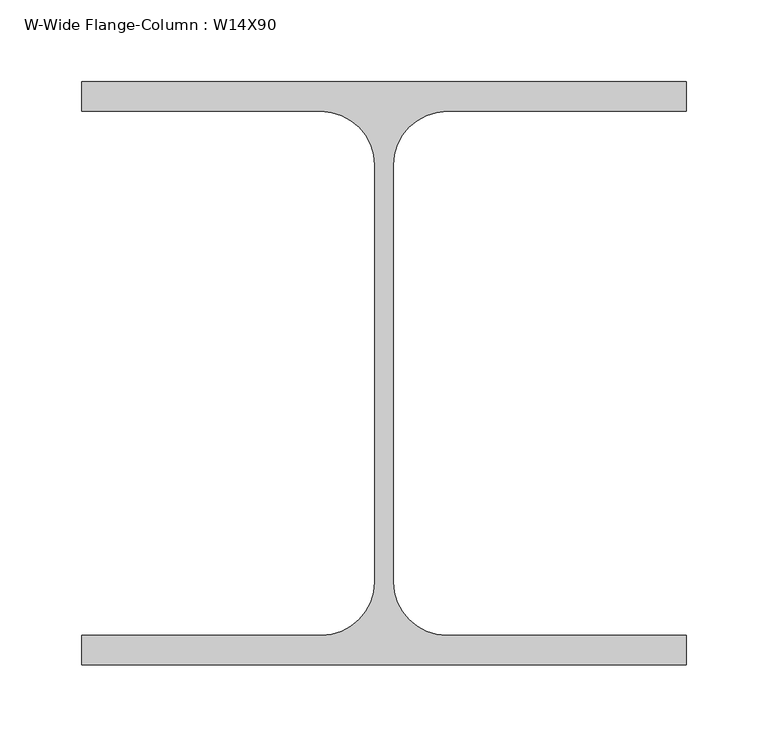
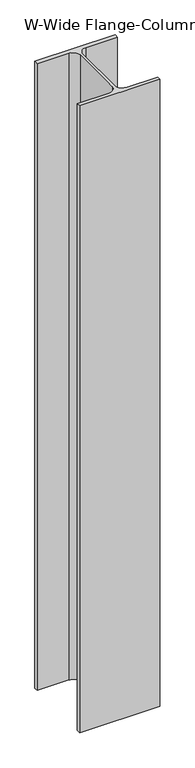
"""IFC4 building model written with IfcOpenShell, lengths in millimetres: column geometry, W-Wide Flange-Column : W14X90."""

from ifc_helpers import new_model, si_unit, point, frame_2d, origin, origin_with_axes, place, context, project, spatial, polyline, circle_curve, trimmed, segment, composite_curve, outline, extrude, source, transform, mapped, element, save


def w_wide_flange_column_w14x90_5622f429(model_context):
    return source(origin(), model_context, "Body", "SweptSolid", [
        extrude(outline(composite_curve([segment(polyline([(184.3980469, 178.0480469), (184.3980469, 159.9902344), (38.3480469, 159.9902344)]), True, "CONTINUOUS"), segment(trimmed(circle_curve(frame_2d((38.3480469, 127.2480469)), 32.7421875), [point((38.3480469, 159.9902344))], [point((5.6058594, 127.2480469))], True, "CARTESIAN"), True, "CONTINUOUS"), segment(polyline([(5.6058594, 127.2480469), (5.6058594, -127.2480469)]), True, "CONTINUOUS"), segment(trimmed(circle_curve(frame_2d((38.3480469, -127.2480469)), 32.7421875), [point((5.6058594, -127.2480469))], [point((38.3480469, -159.9902344))], True, "CARTESIAN"), True, "CONTINUOUS"), segment(polyline([(38.3480469, -159.9902344), (184.3980469, -159.9902344), (184.3980469, -178.0480469), (-184.3980469, -178.0480469), (-184.3980469, -159.9902344), (-38.3480469, -159.9902344)]), True, "CONTINUOUS"), segment(trimmed(circle_curve(frame_2d((-38.3480469, -127.2480469)), 32.7421875), [point((-38.3480469, -159.9902344))], [point((-5.6058594, -127.2480469))], True, "CARTESIAN"), True, "CONTINUOUS"), segment(polyline([(-5.6058594, -127.2480469), (-5.6058594, 127.2480469)]), True, "CONTINUOUS"), segment(trimmed(circle_curve(frame_2d((-38.3480469, 127.2480469)), 32.7421875), [point((-5.6058594, 127.2480469))], [point((-38.3480469, 159.9902344))], True, "CARTESIAN"), True, "CONTINUOUS"), segment(polyline([(-38.3480469, 159.9902344), (-184.3980469, 159.9902344), (-184.3980469, 178.0480469), (184.3980469, 178.0480469)]), True, "CONTINUOUS")], self_intersect=False)), origin_with_axes(), (0.0, 0.0, 1.0), 3048.0),
    ])


if __name__ == "__main__":
    model = new_model("IFC4")
    model_context = context("Model", 3, world=origin())
    ifc_project = project(units=[si_unit("LENGTHUNIT", "METRE", prefix="MILLI")], contexts=[model_context])
    site = spatial("IfcSite", under=ifc_project)
    building = spatial("IfcBuilding", under=site)
    placement = place(None, origin())
    w_wide_flange_column_w14x90_shape = w_wide_flange_column_w14x90_5622f429(model_context)
    element("IfcColumn", 1, ObjectType="W-Wide Flange-Column : W14X90", at=placement, inside=building, context=model_context, shape_type="MappedRepresentation", body=[
        mapped(w_wide_flange_column_w14x90_shape, transform((0.0, 0.0, 0.0), x_axis=(1.0, 0.0, 0.0), y_axis=(0.0, 1.0, 0.0), z_axis=(0.0, 0.0, 1.0))),
    ])
    save(model, "model.ifc")
